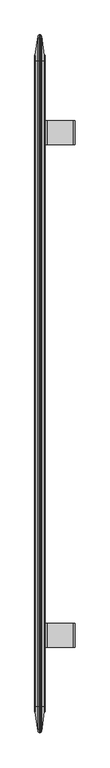
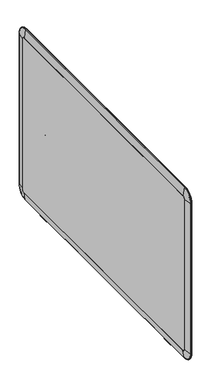
"""IFC4 building model written with IfcOpenShell, lengths in millimetres: furniture geometry."""

from ifc_helpers import new_model, si_unit, point, frame, frame_2d, origin, place, context, project, spatial, polyline, circle_curve, ellipse_curve, trimmed, segment, composite_curve, outline, extrude, source, transform, mapped, element, save
from ifc_brep_helpers import plane_surface, cylinder_surface, revolved_surface, advanced_brep


def furniture_05ba0310(model_context):
    return source(origin(), model_context, "Body", "SolidModel", [
        advanced_brep(
        [(-297.05329, -463.0360248, 883.6887434), (-295.15591, -463.0360248, 883.6887434), (-295.15591, -471.1640248, 883.6887434), (-297.05329, -471.1640248, 883.6887434), (-350.71841, -463.0360248, 883.6887434), (-348.82103, -463.0360248, 883.6887434), (-348.82103, -471.1640248, 883.6887434), (-350.71841, -471.1640248, 883.6887434), (-361.98585, -444.8750248, 518.5637434), (-361.98585, -451.2250248, 524.9137434), (-360.08847, -451.2250248, 524.9137434), (-360.08847, -444.8750248, 518.5637434), (-361.98585, -482.9750248, 524.9137434), (-360.08847, -482.9750248, 524.9137434), (-361.98585, -444.8750248, 509.2851234), (-361.98585, -489.3250248, 509.2851234), (-361.98585, -489.3250248, 518.5637434), (-360.08847, -489.3250248, 518.5637434), (-360.08847, -489.3250248, 509.2851234), (-360.08847, -444.8750248, 509.2851234), (-358.56447, -444.8750248, 507.7611234), (-358.56447, -489.3250248, 507.7611234), (-298.57729, -444.8750248, 507.7611234), (-298.57729, -489.3250248, 507.7611234), (-297.05329, -444.8750248, 509.2851234), (-297.05329, -489.3250248, 509.2851234), (-297.05329, -444.8750248, 899.3173634), (-297.05329, -489.3250248, 899.3173634), (-298.57729, -444.8750248, 900.8413634), (-298.57729, -489.3250248, 900.8413634), (-347.29703, -444.8750248, 900.8413634), (-347.29703, -489.3250248, 900.8413634), (-348.82103, -444.8750248, 899.3173634), (-348.82103, -489.3250248, 899.3173634), (-348.82103, -444.8750248, 867.8137434), (-348.82103, -489.3250248, 867.8137434), (-350.71841, -444.8750248, 867.8137434), (-350.71841, -489.3250248, 867.8137434), (-350.71841, -444.8750248, 899.3173634), (-350.71841, -489.3250248, 899.3173634), (-347.29703, -444.8750248, 902.7387434), (-347.29703, -489.3250248, 902.7387434), (-298.57729, -444.8750248, 902.7387434), (-298.57729, -489.3250248, 902.7387434), (-295.15591, -444.8750248, 899.3173634), (-295.15591, -489.3250248, 899.3173634), (-295.15591, -444.8750248, 509.2851234), (-295.15591, -489.3250248, 509.2851234), (-298.57729, -444.8750248, 505.8637434), (-298.57729, -489.3250248, 505.8637434), (-358.56447, -444.8750248, 505.8637434), (-358.56447, -489.3250248, 505.8637434)],
        [
            (0, 1),
            (1, 2, circle_curve(frame((-295.15591, -467.1000248, 883.6887434), z_axis=(1.0, 0.0, 0.0), x_axis=(0.0, 1.0, 0.0)), 4.064)),
            (2, 3),
            (3, 0, circle_curve(frame((-297.05329, -467.1000248, 883.6887434), z_axis=(-1.0, 0.0, 0.0), x_axis=(0.0, 1.0, 0.0)), 4.064)),
            (4, 5),
            (5, 6, circle_curve(frame((-348.82103, -467.1000248, 883.6887434), z_axis=(1.0, 0.0, 0.0), x_axis=(0.0, 1.0, 0.0)), 4.064)),
            (6, 7),
            (7, 4, circle_curve(frame((-350.71841, -467.1000248, 883.6887434), z_axis=(-1.0, 0.0, 0.0), x_axis=(0.0, 1.0, 0.0)), 4.064)),
            (8, 9, circle_curve(frame((-361.98585, -451.2250248, 518.5637434), z_axis=(1.0, 0.0, 0.0), x_axis=(0.0, 0.7071067811865475, 0.7071067811865477)), 6.35)),
            (9, 10),
            (10, 11, circle_curve(frame((-360.08847, -451.2250248, 518.5637434), z_axis=(-1.0, 0.0, 0.0), x_axis=(0.0, 0.7071067811865475, 0.7071067811865477)), 6.35)),
            (11, 8),
            (9, 12),
            (12, 13),
            (13, 10),
            (8, 14),
            (14, 15),
            (15, 16),
            (16, 12, circle_curve(frame((-361.98585, -482.9750248, 518.5637434), z_axis=(-1.0, 0.0, 0.0), x_axis=(0.0, -0.7071067811865477, 0.7071067811865475)), 6.35)),
            (16, 17),
            (17, 13, circle_curve(frame((-360.08847, -482.9750248, 518.5637434), z_axis=(-1.0, 0.0, 0.0), x_axis=(0.0, -0.7071067811865477, 0.7071067811865475)), 6.35)),
            (4, 7, circle_curve(frame((-350.71841, -467.1000248, 883.6887434), z_axis=(-1.0, 0.0, 0.0), x_axis=(0.0, 1.0, 0.0)), 4.064)),
            (6, 5, circle_curve(frame((-348.82103, -467.1000248, 883.6887434), z_axis=(1.0, 0.0, 0.0), x_axis=(0.0, 1.0, 0.0)), 4.064)),
            (0, 3, circle_curve(frame((-297.05329, -467.1000248, 883.6887434), z_axis=(-1.0, 0.0, 0.0), x_axis=(0.0, 1.0, 0.0)), 4.064)),
            (2, 1, circle_curve(frame((-295.15591, -467.1000248, 883.6887434), z_axis=(1.0, 0.0, 0.0), x_axis=(0.0, 1.0, 0.0)), 4.064)),
            (17, 18),
            (18, 19),
            (19, 11),
            (20, 19, circle_curve(frame((-358.56447, -444.8750248, 509.2851234), z_axis=(0.0, 1.0, 0.0), x_axis=(-1.0, 0.0, 0.0)), 1.524)),
            (18, 21, circle_curve(frame((-358.56447, -489.3250248, 509.2851234), z_axis=(0.0, -1.0, 0.0), x_axis=(-1.0, 0.0, 0.0)), 1.524)),
            (21, 20),
            (22, 20),
            (21, 23),
            (23, 22),
            (24, 22, circle_curve(frame((-298.57729, -444.8750248, 509.2851234), z_axis=(0.0, 1.0, 0.0), x_axis=(0.0, 0.0, -1.0)), 1.524)),
            (23, 25, circle_curve(frame((-298.57729, -489.3250248, 509.2851234), z_axis=(0.0, -1.0, 0.0), x_axis=(0.0, 0.0, -1.0)), 1.524)),
            (25, 24),
            (26, 24),
            (25, 27),
            (27, 26),
            (28, 26, circle_curve(frame((-298.57729, -444.8750248, 899.3173634), z_axis=(0.0, 1.0, 0.0), x_axis=(1.0, 0.0, 0.0)), 1.524)),
            (27, 29, circle_curve(frame((-298.57729, -489.3250248, 899.3173634), z_axis=(0.0, -1.0, 0.0), x_axis=(1.0, 0.0, 0.0)), 1.524)),
            (29, 28),
            (30, 28),
            (29, 31),
            (31, 30),
            (32, 30, circle_curve(frame((-347.29703, -444.8750248, 899.3173634), z_axis=(0.0, 1.0, 0.0), x_axis=(0.0, 0.0, 1.0)), 1.524)),
            (31, 33, circle_curve(frame((-347.29703, -489.3250248, 899.3173634), z_axis=(0.0, -1.0, 0.0), x_axis=(0.0, 0.0, 1.0)), 1.524)),
            (33, 32),
            (34, 32),
            (33, 35),
            (35, 34),
            (36, 34),
            (35, 37),
            (37, 36),
            (38, 36),
            (37, 39),
            (39, 38),
            (40, 38, circle_curve(frame((-347.29703, -444.8750248, 899.3173634), z_axis=(0.0, -1.0, 0.0), x_axis=(0.0, 0.0, 1.0)), 3.42138)),
            (39, 41, circle_curve(frame((-347.29703, -489.3250248, 899.3173634), z_axis=(0.0, 1.0, 0.0), x_axis=(0.0, 0.0, 1.0)), 3.42138)),
            (41, 40),
            (42, 40),
            (41, 43),
            (43, 42),
            (44, 42, circle_curve(frame((-298.57729, -444.8750248, 899.3173634), z_axis=(0.0, -1.0, 0.0), x_axis=(1.0, 0.0, 0.0)), 3.42138)),
            (43, 45, circle_curve(frame((-298.57729, -489.3250248, 899.3173634), z_axis=(0.0, 1.0, 0.0), x_axis=(1.0, 0.0, 0.0)), 3.42138)),
            (45, 44),
            (46, 44),
            (45, 47),
            (47, 46),
            (48, 46, circle_curve(frame((-298.57729, -444.8750248, 509.2851234), z_axis=(0.0, -1.0, 0.0), x_axis=(0.0, 0.0, -1.0)), 3.42138)),
            (47, 49, circle_curve(frame((-298.57729, -489.3250248, 509.2851234), z_axis=(0.0, 1.0, 0.0), x_axis=(0.0, 0.0, -1.0)), 3.42138)),
            (49, 48),
            (50, 48),
            (49, 51),
            (51, 50),
            (14, 50, circle_curve(frame((-358.56447, -444.8750248, 509.2851234), z_axis=(0.0, -1.0, 0.0), x_axis=(-1.0, 0.0, 0.0)), 3.42138)),
            (51, 15, circle_curve(frame((-358.56447, -489.3250248, 509.2851234), z_axis=(0.0, 1.0, 0.0), x_axis=(-1.0, 0.0, 0.0)), 3.42138)),
        ],
        [
            revolved_surface(polyline([(-297.05329, -463.0360248, 883.6887434), (-295.15591, -463.0360248, 883.6887434)]), (-282.0891344, -467.1000248, 883.6887434), (-1.0, 0.0, 0.0)),
            revolved_surface(polyline([(-350.71841, -463.0360248, 883.6887434), (-348.82103, -463.0360248, 883.6887434)]), (-282.0891344, -467.1000248, 883.6887434), (-1.0, 0.0, 0.0)),
            cylinder_surface(frame((-333.8330758, -451.2250248, 518.5637434), z_axis=(1.0, 0.0, 0.0), x_axis=(0.0, 0.7071067811865475, 0.7071067811865477)), 6.35),
            plane_surface(frame((-360.08847, -444.8750248, 524.9137434), z_axis=(0.0, 0.0, 1.0), x_axis=(-1.0, 0.0, 0.0))),
            plane_surface(frame((-361.98585, -444.8750248, 524.9137434), z_axis=(-1.0, 0.0, 0.0), x_axis=(0.0, 0.0, -1.0))),
            cylinder_surface(frame((-333.8330758, -482.9750248, 518.5637434), z_axis=(-1.0, 0.0, 0.0), x_axis=(0.0, -0.7071067811865477, 0.7071067811865475)), 6.35),
            plane_surface(frame((-360.08847, -444.8750248, 509.2851234), z_axis=(1.0, 0.0, 0.0), x_axis=(0.0, 0.0, 1.0))),
            revolved_surface(polyline([(-360.08847, -489.3250248, 509.2851234), (-360.08847, -444.8750248, 509.2851234)]), (-358.56447, -444.8750248, 509.2851234), (0.0, -1.0, 0.0)),
            plane_surface(frame((-298.57729, -444.8750248, 507.7611234), z_axis=(0.0, 0.0, 1.0), x_axis=(-1.0, 0.0, 0.0))),
            revolved_surface(polyline([(-298.57729, -489.3250248, 507.7611234), (-298.57729, -444.8750248, 507.7611234)]), (-298.57729, -444.8750248, 509.2851234), (0.0, -1.0, 0.0)),
            plane_surface(frame((-297.05329, -444.8750248, 899.3173634), z_axis=(-1.0, 0.0, 0.0), x_axis=(0.0, 0.0, -1.0))),
            revolved_surface(polyline([(-297.05329, -489.3250248, 899.3173634), (-297.05329, -444.8750248, 899.3173634)]), (-298.57729, -444.8750248, 899.3173634), (0.0, -1.0, 0.0)),
            plane_surface(frame((-347.29703, -444.8750248, 900.8413634), z_axis=(0.0, 0.0, -1.0), x_axis=(1.0, 0.0, 0.0))),
            revolved_surface(polyline([(-347.29703, -489.3250248, 900.8413634), (-347.29703, -444.8750248, 900.8413634)]), (-347.29703, -444.8750248, 899.3173634), (0.0, -1.0, 0.0)),
            plane_surface(frame((-348.82103, -444.8750248, 867.8137434), z_axis=(1.0, 0.0, 0.0), x_axis=(0.0, 0.0, 1.0))),
            plane_surface(frame((-350.71841, -444.8750248, 867.8137434), z_axis=(0.0, 0.0, -1.0), x_axis=(1.0, 0.0, 0.0))),
            plane_surface(frame((-350.71841, -444.8750248, 899.3173634), z_axis=(-1.0, 0.0, 0.0), x_axis=(0.0, 0.0, -1.0))),
            cylinder_surface(frame((-347.29703, -444.8750248, 899.3173634), z_axis=(0.0, -1.0, 0.0), x_axis=(0.0, 0.0, 1.0)), 3.42138),
            plane_surface(frame((-298.57729, -444.8750248, 902.7387434), z_axis=(0.0, 0.0, 1.0), x_axis=(-1.0, 0.0, 0.0))),
            cylinder_surface(frame((-298.57729, -444.8750248, 899.3173634), z_axis=(0.0, -1.0, 0.0), x_axis=(1.0, 0.0, 0.0)), 3.42138),
            plane_surface(frame((-295.15591, -444.8750248, 509.2851234), z_axis=(1.0, 0.0, 0.0), x_axis=(0.0, 0.0, 1.0))),
            cylinder_surface(frame((-298.57729, -444.8750248, 509.2851234), z_axis=(0.0, -1.0, 0.0), x_axis=(0.0, 0.0, -1.0)), 3.42138),
            plane_surface(frame((-358.56447, -444.8750248, 505.8637434), z_axis=(0.0, 0.0, -1.0), x_axis=(1.0, 0.0, 0.0))),
            cylinder_surface(frame((-358.56447, -444.8750248, 509.2851234), z_axis=(0.0, -1.0, 0.0), x_axis=(-1.0, 0.0, 0.0)), 3.42138),
            plane_surface(frame((-307.5776817, -444.8750248, 705.1619815), z_axis=(0.0, 1.0, 0.0), x_axis=(1.0, 0.0, 0.0))),
            plane_surface(frame((-307.5776817, -489.3250248, 705.1619815), z_axis=(0.0, -1.0, 0.0), x_axis=(1.0, 0.0, 0.0))),
        ],
        [
            (0, [[1, 2, 3, 4]]),
            (1, [[5, 6, 7, 8]]),
            (2, [[9, 10, 11, 12]]),
            (3, [[-10, 13, 14, 15]]),
            (4, [[-9, 16, 17, 18, 19, -13]]),
            (5, [[-19, 20, 21, -14]]),
            (1, [[-5, 22, -7, 23]]),
            (0, [[-1, 24, -3, 25]]),
            (6, [[-11, -15, -21, 26, 27, 28]]),
            (7, [[29, -27, 30, 31]]),
            (8, [[32, -31, 33, 34]]),
            (9, [[35, -34, 36, 37]]),
            (10, [[38, -37, 39, 40], [-24, -4]]),
            (11, [[41, -40, 42, 43]]),
            (12, [[44, -43, 45, 46]]),
            (13, [[47, -46, 48, 49]]),
            (14, [[50, -49, 51, 52], [-6, -23]]),
            (15, [[53, -52, 54, 55]]),
            (16, [[56, -55, 57, 58], [-22, -8]]),
            (17, [[59, -58, 60, 61]]),
            (18, [[62, -61, 63, 64]]),
            (19, [[65, -64, 66, 67]]),
            (20, [[68, -67, 69, 70], [-2, -25]]),
            (21, [[71, -70, 72, 73]]),
            (22, [[74, -73, 75, 76]]),
            (23, [[77, -76, 78, -17]]),
            (24, [[-12, -28, -29, -32, -35, -38, -41, -44, -47, -50, -53, -56, -59, -62, -65, -68, -71, -74, -77, -16]]),
            (25, [[-20, -18, -78, -75, -72, -69, -66, -63, -60, -57, -54, -51, -48, -45, -42, -39, -36, -33, -30, -26]]),
        ],
    ),
        advanced_brep(
        [(-297.05329, 462.2868056, 883.6887434), (-295.15591, 462.2868056, 883.6887434), (-295.15591, 470.4148056, 883.6887434), (-297.05329, 470.4148056, 883.6887434), (-350.71841, 462.2868056, 883.6887434), (-348.82103, 462.2868056, 883.6887434), (-348.82103, 470.4148056, 883.6887434), (-350.71841, 470.4148056, 883.6887434), (-361.98585, 450.4758056, 524.9137434), (-361.98585, 444.1258056, 518.5637434), (-360.08847, 444.1258056, 518.5637434), (-360.08847, 450.4758056, 524.9137434), (-360.08847, 482.2258056, 524.9137434), (-361.98585, 482.2258056, 524.9137434), (-361.98585, 488.5758056, 518.5637434), (-361.98585, 488.5758056, 509.2851234), (-361.98585, 444.1258056, 509.2851234), (-360.08847, 488.5758056, 518.5637434), (-360.08847, 444.1258056, 509.2851234), (-360.08847, 488.5758056, 509.2851234), (-358.56447, 444.1258056, 507.7611234), (-358.56447, 488.5758056, 507.7611234), (-298.57729, 444.1258056, 507.7611234), (-298.57729, 488.5758056, 507.7611234), (-297.05329, 444.1258056, 509.2851234), (-297.05329, 488.5758056, 509.2851234), (-297.05329, 444.1258056, 899.3173634), (-297.05329, 488.5758056, 899.3173634), (-298.57729, 444.1258056, 900.8413634), (-298.57729, 488.5758056, 900.8413634), (-347.29703, 444.1258056, 900.8413634), (-347.29703, 488.5758056, 900.8413634), (-348.82103, 444.1258056, 899.3173634), (-348.82103, 488.5758056, 899.3173634), (-348.82103, 444.1258056, 867.8137434), (-348.82103, 488.5758056, 867.8137434), (-350.71841, 444.1258056, 867.8137434), (-350.71841, 488.5758056, 867.8137434), (-350.71841, 444.1258056, 899.3173634), (-350.71841, 488.5758056, 899.3173634), (-347.29703, 444.1258056, 902.7387434), (-347.29703, 488.5758056, 902.7387434), (-298.57729, 444.1258056, 902.7387434), (-298.57729, 488.5758056, 902.7387434), (-295.15591, 444.1258056, 899.3173634), (-295.15591, 488.5758056, 899.3173634), (-295.15591, 444.1258056, 509.2851234), (-295.15591, 488.5758056, 509.2851234), (-298.57729, 444.1258056, 505.8637434), (-298.57729, 488.5758056, 505.8637434), (-358.56447, 444.1258056, 505.8637434), (-358.56447, 488.5758056, 505.8637434)],
        [
            (0, 1),
            (1, 2, circle_curve(frame((-295.15591, 466.3508056, 883.6887434), z_axis=(1.0, 0.0, 0.0), x_axis=(0.0, -1.0, 0.0)), 4.064)),
            (2, 3),
            (3, 0, circle_curve(frame((-297.05329, 466.3508056, 883.6887434), z_axis=(-1.0, 0.0, 0.0), x_axis=(0.0, -1.0, 0.0)), 4.064)),
            (4, 5),
            (5, 6, circle_curve(frame((-348.82103, 466.3508056, 883.6887434), z_axis=(1.0, 0.0, 0.0), x_axis=(0.0, -1.0, 0.0)), 4.064)),
            (6, 7),
            (7, 4, circle_curve(frame((-350.71841, 466.3508056, 883.6887434), z_axis=(-1.0, 0.0, 0.0), x_axis=(0.0, -1.0, 0.0)), 4.064)),
            (8, 9, circle_curve(frame((-361.98585, 450.4758056, 518.5637434), z_axis=(1.0, 0.0, 0.0), x_axis=(0.0, -0.7071067811865475, 0.7071067811865477)), 6.35)),
            (9, 10),
            (10, 11, circle_curve(frame((-360.08847, 450.4758056, 518.5637434), z_axis=(-1.0, 0.0, 0.0), x_axis=(0.0, -0.7071067811865475, 0.7071067811865477)), 6.35)),
            (11, 8),
            (11, 12),
            (12, 13),
            (13, 8),
            (13, 14, circle_curve(frame((-361.98585, 482.2258056, 518.5637434), z_axis=(-1.0, 0.0, 0.0), x_axis=(0.0, 0.7071067811865477, 0.7071067811865475)), 6.35)),
            (14, 15),
            (15, 16),
            (16, 9),
            (12, 17, circle_curve(frame((-360.08847, 482.2258056, 518.5637434), z_axis=(-1.0, 0.0, 0.0), x_axis=(0.0, 0.7071067811865477, 0.7071067811865475)), 6.35)),
            (17, 14),
            (4, 7, circle_curve(frame((-350.71841, 466.3508056, 883.6887434), z_axis=(-1.0, 0.0, 0.0), x_axis=(0.0, -1.0, 0.0)), 4.064)),
            (6, 5, circle_curve(frame((-348.82103, 466.3508056, 883.6887434), z_axis=(1.0, 0.0, 0.0), x_axis=(0.0, -1.0, 0.0)), 4.064)),
            (0, 3, circle_curve(frame((-297.05329, 466.3508056, 883.6887434), z_axis=(-1.0, 0.0, 0.0), x_axis=(0.0, -1.0, 0.0)), 4.064)),
            (2, 1, circle_curve(frame((-295.15591, 466.3508056, 883.6887434), z_axis=(1.0, 0.0, 0.0), x_axis=(0.0, -1.0, 0.0)), 4.064)),
            (10, 18),
            (18, 19),
            (19, 17),
            (18, 20, circle_curve(frame((-358.56447, 444.1258056, 509.2851234), z_axis=(0.0, -1.0, 0.0), x_axis=(-1.0, 0.0, 0.0)), 1.524)),
            (20, 21),
            (21, 19, circle_curve(frame((-358.56447, 488.5758056, 509.2851234), z_axis=(0.0, 1.0, 0.0), x_axis=(-1.0, 0.0, 0.0)), 1.524)),
            (20, 22),
            (22, 23),
            (23, 21),
            (22, 24, circle_curve(frame((-298.57729, 444.1258056, 509.2851234), z_axis=(0.0, -1.0, 0.0), x_axis=(0.0, 0.0, -1.0)), 1.524)),
            (24, 25),
            (25, 23, circle_curve(frame((-298.57729, 488.5758056, 509.2851234), z_axis=(0.0, 1.0, 0.0), x_axis=(0.0, 0.0, -1.0)), 1.524)),
            (24, 26),
            (26, 27),
            (27, 25),
            (26, 28, circle_curve(frame((-298.57729, 444.1258056, 899.3173634), z_axis=(0.0, -1.0, 0.0), x_axis=(1.0, 0.0, 0.0)), 1.524)),
            (28, 29),
            (29, 27, circle_curve(frame((-298.57729, 488.5758056, 899.3173634), z_axis=(0.0, 1.0, 0.0), x_axis=(1.0, 0.0, 0.0)), 1.524)),
            (28, 30),
            (30, 31),
            (31, 29),
            (30, 32, circle_curve(frame((-347.29703, 444.1258056, 899.3173634), z_axis=(0.0, -1.0, 0.0), x_axis=(0.0, 0.0, 1.0)), 1.524)),
            (32, 33),
            (33, 31, circle_curve(frame((-347.29703, 488.5758056, 899.3173634), z_axis=(0.0, 1.0, 0.0), x_axis=(0.0, 0.0, 1.0)), 1.524)),
            (32, 34),
            (34, 35),
            (35, 33),
            (34, 36),
            (36, 37),
            (37, 35),
            (36, 38),
            (38, 39),
            (39, 37),
            (38, 40, circle_curve(frame((-347.29703, 444.1258056, 899.3173634), z_axis=(0.0, 1.0, 0.0), x_axis=(0.0, 0.0, 1.0)), 3.42138)),
            (40, 41),
            (41, 39, circle_curve(frame((-347.29703, 488.5758056, 899.3173634), z_axis=(0.0, -1.0, 0.0), x_axis=(0.0, 0.0, 1.0)), 3.42138)),
            (40, 42),
            (42, 43),
            (43, 41),
            (42, 44, circle_curve(frame((-298.57729, 444.1258056, 899.3173634), z_axis=(0.0, 1.0, 0.0), x_axis=(1.0, 0.0, 0.0)), 3.42138)),
            (44, 45),
            (45, 43, circle_curve(frame((-298.57729, 488.5758056, 899.3173634), z_axis=(0.0, -1.0, 0.0), x_axis=(1.0, 0.0, 0.0)), 3.42138)),
            (44, 46),
            (46, 47),
            (47, 45),
            (46, 48, circle_curve(frame((-298.57729, 444.1258056, 509.2851234), z_axis=(0.0, 1.0, 0.0), x_axis=(0.0, 0.0, -1.0)), 3.42138)),
            (48, 49),
            (49, 47, circle_curve(frame((-298.57729, 488.5758056, 509.2851234), z_axis=(0.0, -1.0, 0.0), x_axis=(0.0, 0.0, -1.0)), 3.42138)),
            (48, 50),
            (50, 51),
            (51, 49),
            (50, 16, circle_curve(frame((-358.56447, 444.1258056, 509.2851234), z_axis=(0.0, 1.0, 0.0), x_axis=(-1.0, 0.0, 0.0)), 3.42138)),
            (15, 51, circle_curve(frame((-358.56447, 488.5758056, 509.2851234), z_axis=(0.0, -1.0, 0.0), x_axis=(-1.0, 0.0, 0.0)), 3.42138)),
        ],
        [
            revolved_surface(polyline([(-295.15591, 462.2868056, 883.6887434), (-297.05329, 462.2868056, 883.6887434)]), (-282.0891344, 466.3508056, 883.6887434), (1.0, 0.0, 0.0)),
            revolved_surface(polyline([(-348.82103, 462.2868056, 883.6887434), (-350.71841, 462.2868056, 883.6887434)]), (-282.0891344, 466.3508056, 883.6887434), (1.0, 0.0, 0.0)),
            cylinder_surface(frame((-333.8330758, 450.4758056, 518.5637434), z_axis=(-1.0, 0.0, 0.0), x_axis=(0.0, -0.7071067811865475, 0.7071067811865477)), 6.35),
            plane_surface(frame((-360.08847, 444.1258056, 524.9137434), z_axis=(0.0, 0.0, 1.0), x_axis=(-1.0, 0.0, 0.0))),
            plane_surface(frame((-361.98585, 444.1258056, 524.9137434), z_axis=(-1.0, 0.0, 0.0), x_axis=(0.0, 0.0, -1.0))),
            cylinder_surface(frame((-333.8330758, 482.2258056, 518.5637434), z_axis=(1.0, 0.0, 0.0), x_axis=(0.0, 0.7071067811865477, 0.7071067811865475)), 6.35),
            plane_surface(frame((-360.08847, 444.1258056, 509.2851234), z_axis=(1.0, 0.0, 0.0), x_axis=(0.0, 0.0, 1.0))),
            revolved_surface(polyline([(-360.08847, 444.1258056, 509.2851234), (-360.08847, 488.5758056, 509.2851234)]), (-358.56447, 444.1258056, 509.2851234), (0.0, -1.0, 0.0)),
            plane_surface(frame((-298.57729, 444.1258056, 507.7611234), z_axis=(0.0, 0.0, 1.0), x_axis=(-1.0, 0.0, 0.0))),
            revolved_surface(polyline([(-298.57729, 444.1258056, 507.7611234), (-298.57729, 488.5758056, 507.7611234)]), (-298.57729, 444.1258056, 509.2851234), (0.0, -1.0, 0.0)),
            plane_surface(frame((-297.05329, 444.1258056, 899.3173634), z_axis=(-1.0, 0.0, 0.0), x_axis=(0.0, 0.0, -1.0))),
            revolved_surface(polyline([(-297.05329, 444.1258056, 899.3173634), (-297.05329, 488.5758056, 899.3173634)]), (-298.57729, 444.1258056, 899.3173634), (0.0, -1.0, 0.0)),
            plane_surface(frame((-347.29703, 444.1258056, 900.8413634), z_axis=(0.0, 0.0, -1.0), x_axis=(1.0, 0.0, 0.0))),
            revolved_surface(polyline([(-347.29703, 444.1258056, 900.8413634), (-347.29703, 488.5758056, 900.8413634)]), (-347.29703, 444.1258056, 899.3173634), (0.0, -1.0, 0.0)),
            plane_surface(frame((-348.82103, 444.1258056, 867.8137434), z_axis=(1.0, 0.0, 0.0), x_axis=(0.0, 0.0, 1.0))),
            plane_surface(frame((-350.71841, 444.1258056, 867.8137434), z_axis=(0.0, 0.0, -1.0), x_axis=(1.0, 0.0, 0.0))),
            plane_surface(frame((-350.71841, 444.1258056, 899.3173634), z_axis=(-1.0, 0.0, 0.0), x_axis=(0.0, 0.0, -1.0))),
            cylinder_surface(frame((-347.29703, 444.1258056, 899.3173634), z_axis=(0.0, -1.0, 0.0), x_axis=(0.0, 0.0, 1.0)), 3.42138),
            plane_surface(frame((-298.57729, 444.1258056, 902.7387434), z_axis=(0.0, 0.0, 1.0), x_axis=(-1.0, 0.0, 0.0))),
            cylinder_surface(frame((-298.57729, 444.1258056, 899.3173634), z_axis=(0.0, -1.0, 0.0), x_axis=(1.0, 0.0, 0.0)), 3.42138),
            plane_surface(frame((-295.15591, 444.1258056, 509.2851234), z_axis=(1.0, 0.0, 0.0), x_axis=(0.0, 0.0, 1.0))),
            cylinder_surface(frame((-298.57729, 444.1258056, 509.2851234), z_axis=(0.0, -1.0, 0.0), x_axis=(0.0, 0.0, -1.0)), 3.42138),
            plane_surface(frame((-358.56447, 444.1258056, 505.8637434), z_axis=(0.0, 0.0, -1.0), x_axis=(1.0, 0.0, 0.0))),
            cylinder_surface(frame((-358.56447, 444.1258056, 509.2851234), z_axis=(0.0, -1.0, 0.0), x_axis=(-1.0, 0.0, 0.0)), 3.42138),
            plane_surface(frame((-307.5776817, 444.1258056, 705.1619815), z_axis=(0.0, -1.0, 0.0), x_axis=(1.0, 0.0, 0.0))),
            plane_surface(frame((-307.5776817, 488.5758056, 705.1619815), z_axis=(0.0, 1.0, 0.0), x_axis=(1.0, 0.0, 0.0))),
        ],
        [
            (0, [[1, 2, 3, 4]]),
            (1, [[5, 6, 7, 8]]),
            (2, [[9, 10, 11, 12]]),
            (3, [[-12, 13, 14, 15]]),
            (4, [[-9, -15, 16, 17, 18, 19]]),
            (5, [[-16, -14, 20, 21]]),
            (1, [[-5, 22, -7, 23]]),
            (0, [[-1, 24, -3, 25]]),
            (6, [[-11, 26, 27, 28, -20, -13]]),
            (7, [[29, 30, 31, -27]]),
            (8, [[32, 33, 34, -30]]),
            (9, [[35, 36, 37, -33]]),
            (10, [[38, 39, 40, -36], [-4, -24]]),
            (11, [[41, 42, 43, -39]]),
            (12, [[44, 45, 46, -42]]),
            (13, [[47, 48, 49, -45]]),
            (14, [[50, 51, 52, -48], [-23, -6]]),
            (15, [[53, 54, 55, -51]]),
            (16, [[56, 57, 58, -54], [-8, -22]]),
            (17, [[59, 60, 61, -57]]),
            (18, [[62, 63, 64, -60]]),
            (19, [[65, 66, 67, -63]]),
            (20, [[68, 69, 70, -66], [-25, -2]]),
            (21, [[71, 72, 73, -69]]),
            (22, [[74, 75, 76, -72]]),
            (23, [[77, -18, 78, -75]]),
            (24, [[-10, -19, -77, -74, -71, -68, -65, -62, -59, -56, -53, -50, -47, -44, -41, -38, -35, -32, -29, -26]]),
            (25, [[-21, -28, -31, -34, -37, -40, -43, -46, -49, -52, -55, -58, -61, -64, -67, -70, -73, -76, -78, -17]]),
        ],
    ),
        advanced_brep(
        [(-368.9788152, 599.0647969, 1263.3058087), (-368.9788152, 609.2247969, 1253.1458087), (-352.438553, 609.2247969, 1253.1458087), (-352.438553, 599.0647969, 1263.3058087), (-363.6349562, 599.0647969, 1299.1886966), (-363.6349562, 645.1076848, 1253.1458087), (-362.0566704, 599.0647969, 1301.3985034), (-362.0566704, 647.3174915, 1253.1458087), (-360.9665087, 599.0647969, 1301.478188), (-360.9665087, 647.3971762, 1253.1458087), (-360.6462157, 599.0647969, 1300.2824034), (-360.6462157, 646.2013916, 1253.1458087), (-360.4500068, 599.0647969, 1301.478188), (-360.4500068, 647.3971762, 1253.1458087), (-359.3018977, 599.0647969, 1301.3942706), (-359.3018977, 647.3132588, 1253.1458087), (-357.7311424, 599.0647969, 1299.184618), (-357.7311424, 645.1036062, 1253.1458087), (-352.438553, -599.5194363, 1263.3058087), (-368.9788152, -599.5194363, 1263.3058087), (-363.6349562, -599.5194363, 1299.1886966), (-362.0566704, -599.5194363, 1301.3985034), (-360.9665087, -599.5194363, 1301.478188), (-360.6462157, -599.5194363, 1300.2824034), (-360.4500068, -599.5194363, 1301.478188), (-359.3018977, -599.5194363, 1301.3942706), (-357.7311424, -599.5194363, 1299.184618), (-368.9788152, -609.6794363, 1253.1458087), (-352.438553, -609.6794363, 1253.1458087), (-363.6349562, -645.5623242, 1253.1458087), (-362.0566704, -647.772131, 1253.1458087), (-360.9665087, -647.8518156, 1253.1458087), (-360.6462157, -646.656031, 1253.1458087), (-360.4500068, -647.8518156, 1253.1458087), (-359.3018977, -647.7678983, 1253.1458087), (-357.7311424, -645.5582456, 1253.1458087), (-352.438553, -609.6794363, 562.0228131), (-368.9788152, -609.6794363, 562.0228131), (-363.6349562, -645.5623242, 562.0228131), (-362.0566704, -647.772131, 562.0228131), (-360.9665087, -647.8518156, 562.0228131), (-360.6462157, -646.656031, 562.0228131), (-360.4500068, -647.8518156, 562.0228131), (-359.3018977, -647.7678983, 562.0228131), (-357.7311424, -645.5582456, 562.0228131), (-368.9788152, -599.5194363, 551.8628131), (-352.438553, -599.5194363, 551.8628131), (-363.6349562, -599.5194363, 515.9799252), (-362.0566704, -599.5194363, 513.7701185), (-360.9665087, -599.5194363, 513.6904338), (-360.6462157, -599.5194363, 514.8862184), (-360.4500068, -599.5194363, 513.6904338), (-359.3018977, -599.5194363, 513.7743512), (-357.7311424, -599.5194363, 515.9840038), (-352.438553, 599.0647969, 551.8628131), (-368.9788152, 599.0647969, 551.8628131), (-363.6349562, 599.0647969, 515.9799252), (-362.0566704, 599.0647969, 513.7701185), (-360.9665087, 599.0647969, 513.6904338), (-360.6462157, 599.0647969, 514.8862184), (-360.4500068, 599.0647969, 513.6904338), (-359.3018977, 599.0647969, 513.7743512), (-357.7311424, 599.0647969, 515.9840038), (-368.9788152, 609.2247969, 562.0228131), (-352.438553, 609.2247969, 562.0228131), (-363.6349562, 645.1076848, 562.0228131), (-362.0566704, 647.3174915, 562.0228131), (-360.9665087, 647.3971762, 562.0228131), (-360.6462157, 646.2013916, 562.0228131), (-360.4500068, 647.3971762, 562.0228131), (-359.3018977, 647.3132588, 562.0228131), (-357.7311424, 645.1036062, 562.0228131)],
        [
            (0, 1, circle_curve(frame((-368.9788152, 599.0647969, 1253.1458087), z_axis=(-1.0, 0.0, 0.0), x_axis=(0.0, 1.0, 0.0)), 10.16)),
            (1, 2),
            (2, 3, circle_curve(frame((-352.438553, 599.0647969, 1253.1458087), z_axis=(1.0, 0.0, 0.0), x_axis=(0.0, 1.0, 0.0)), 10.16)),
            (3, 0),
            (4, 5, circle_curve(frame((-363.6349562, 599.0647969, 1253.1458087), z_axis=(-1.0, 0.0, 0.0), x_axis=(0.0, 1.0, 0.0)), 46.0428879)),
            (5, 1),
            (0, 4),
            (6, 7, circle_curve(frame((-362.0566704, 599.0647969, 1253.1458087), z_axis=(-1.0, 0.0, 0.0), x_axis=(0.0, 1.0, 0.0)), 48.2526947)),
            (7, 5, circle_curve(frame((-360.6833515, 644.6681171, 1253.1458087), z_axis=(0.0, 0.0, 1.0), x_axis=(0.0, -1.0, 0.0)), 2.9841564)),
            (4, 6, circle_curve(frame((-360.6833515, 599.0647969, 1298.7491289), z_axis=(0.0, 1.0, 0.0), x_axis=(0.0, 0.0, -1.0)), 2.9841564)),
            (8, 9, circle_curve(frame((-360.9665087, 599.0647969, 1253.1458087), z_axis=(-1.0, 0.0, 0.0), x_axis=(0.0, 1.0, 0.0)), 48.3323793)),
            (9, 7),
            (6, 8),
            (10, 11, circle_curve(frame((-360.6462157, 599.0647969, 1253.1458087), z_axis=(-1.0, 0.0, 0.0), x_axis=(0.0, 1.0, 0.0)), 47.1365947)),
            (11, 9),
            (8, 10),
            (12, 13, circle_curve(frame((-360.4500068, 599.0647969, 1253.1458087), z_axis=(-1.0, 0.0, 0.0), x_axis=(0.0, 1.0, 0.0)), 48.3323793)),
            (13, 11),
            (10, 12),
            (14, 15, circle_curve(frame((-359.3018977, 599.0647969, 1253.1458087), z_axis=(-1.0, 0.0, 0.0), x_axis=(0.0, 1.0, 0.0)), 48.248462)),
            (15, 13),
            (12, 14),
            (16, 17, circle_curve(frame((-357.7311424, 599.0647969, 1253.1458087), z_axis=(-1.0, 0.0, 0.0), x_axis=(0.0, 1.0, 0.0)), 46.0388093)),
            (17, 15, circle_curve(frame((-360.6833515, 644.6681171, 1253.1458087), z_axis=(0.0, 0.0, 1.0), x_axis=(0.0, -1.0, 0.0)), 2.9841564)),
            (14, 16, circle_curve(frame((-360.6833515, 599.0647969, 1298.7491289), z_axis=(0.0, 1.0, 0.0), x_axis=(0.0, 0.0, -1.0)), 2.9841564)),
            (2, 17),
            (16, 3),
            (3, 18),
            (18, 19),
            (19, 0),
            (19, 20),
            (20, 4),
            (20, 21, circle_curve(frame((-360.6833515, -599.5194363, 1298.7491289), z_axis=(0.0, 1.0, 0.0), x_axis=(0.0, 0.0, -1.0)), 2.9841564)),
            (21, 6),
            (21, 22),
            (22, 8),
            (22, 23),
            (23, 10),
            (23, 24),
            (24, 12),
            (24, 25),
            (25, 14),
            (25, 26, circle_curve(frame((-360.6833515, -599.5194363, 1298.7491289), z_axis=(0.0, 1.0, 0.0), x_axis=(0.0, 0.0, -1.0)), 2.9841564)),
            (26, 16),
            (26, 18),
            (27, 19, circle_curve(frame((-368.9788152, -599.5194363, 1253.1458087), z_axis=(-1.0, 0.0, 0.0), x_axis=(0.0, 0.0, 1.0)), 10.16)),
            (18, 28, circle_curve(frame((-352.438553, -599.5194363, 1253.1458087), z_axis=(1.0, 0.0, 0.0), x_axis=(0.0, 0.0, 1.0)), 10.16)),
            (28, 27),
            (29, 20, circle_curve(frame((-363.6349562, -599.5194363, 1253.1458087), z_axis=(-1.0, 0.0, 0.0), x_axis=(0.0, 0.0, 1.0)), 46.0428879)),
            (27, 29),
            (30, 21, circle_curve(frame((-362.0566704, -599.5194363, 1253.1458087), z_axis=(-1.0, 0.0, 0.0), x_axis=(0.0, 0.0, 1.0)), 48.2526947)),
            (29, 30, circle_curve(frame((-360.6833515, -645.1227565, 1253.1458087), z_axis=(0.0, 0.0, 1.0), x_axis=(0.0, 1.0, 0.0)), 2.9841564)),
            (31, 22, circle_curve(frame((-360.9665087, -599.5194363, 1253.1458087), z_axis=(-1.0, 0.0, 0.0), x_axis=(0.0, 0.0, 1.0)), 48.3323793)),
            (30, 31),
            (32, 23, circle_curve(frame((-360.6462157, -599.5194363, 1253.1458087), z_axis=(-1.0, 0.0, 0.0), x_axis=(0.0, 0.0, 1.0)), 47.1365947)),
            (31, 32),
            (33, 24, circle_curve(frame((-360.4500068, -599.5194363, 1253.1458087), z_axis=(-1.0, 0.0, 0.0), x_axis=(0.0, 0.0, 1.0)), 48.3323793)),
            (32, 33),
            (34, 25, circle_curve(frame((-359.3018977, -599.5194363, 1253.1458087), z_axis=(-1.0, 0.0, 0.0), x_axis=(0.0, 0.0, 1.0)), 48.248462)),
            (33, 34),
            (35, 26, circle_curve(frame((-357.7311424, -599.5194363, 1253.1458087), z_axis=(-1.0, 0.0, 0.0), x_axis=(0.0, 0.0, 1.0)), 46.0388093)),
            (34, 35, circle_curve(frame((-360.6833515, -645.1227565, 1253.1458087), z_axis=(0.0, 0.0, 1.0), x_axis=(0.0, 1.0, 0.0)), 2.9841564)),
            (35, 28),
            (28, 36),
            (36, 37),
            (37, 27),
            (37, 38),
            (38, 29),
            (38, 39, circle_curve(frame((-360.6833515, -645.1227565, 562.0228131), z_axis=(0.0, 0.0, 1.0), x_axis=(0.0, 1.0, 0.0)), 2.9841564)),
            (39, 30),
            (39, 40),
            (40, 31),
            (40, 41),
            (41, 32),
            (41, 42),
            (42, 33),
            (42, 43),
            (43, 34),
            (43, 44, circle_curve(frame((-360.6833515, -645.1227565, 562.0228131), z_axis=(0.0, 0.0, 1.0), x_axis=(0.0, 1.0, 0.0)), 2.9841564)),
            (44, 35),
            (44, 36),
            (45, 37, circle_curve(frame((-368.9788152, -599.5194363, 562.0228131), z_axis=(-1.0, 0.0, 0.0), x_axis=(0.0, -1.0, 0.0)), 10.16)),
            (36, 46, circle_curve(frame((-352.438553, -599.5194363, 562.0228131), z_axis=(1.0, 0.0, 0.0), x_axis=(0.0, -1.0, 0.0)), 10.16)),
            (46, 45),
            (47, 38, circle_curve(frame((-363.6349562, -599.5194363, 562.0228131), z_axis=(-1.0, 0.0, 0.0), x_axis=(0.0, -1.0, 0.0)), 46.0428879)),
            (45, 47),
            (48, 39, circle_curve(frame((-362.0566704, -599.5194363, 562.0228131), z_axis=(-1.0, 0.0, 0.0), x_axis=(0.0, -1.0, 0.0)), 48.2526947)),
            (47, 48, circle_curve(frame((-360.6833515, -599.5194363, 516.4194929), z_axis=(0.0, -1.0, 0.0), x_axis=(0.0, 0.0, 1.0)), 2.9841564)),
            (49, 40, circle_curve(frame((-360.9665087, -599.5194363, 562.0228131), z_axis=(-1.0, 0.0, 0.0), x_axis=(0.0, -1.0, 0.0)), 48.3323793)),
            (48, 49),
            (50, 41, circle_curve(frame((-360.6462157, -599.5194363, 562.0228131), z_axis=(-1.0, 0.0, 0.0), x_axis=(0.0, -1.0, 0.0)), 47.1365947)),
            (49, 50),
            (51, 42, circle_curve(frame((-360.4500068, -599.5194363, 562.0228131), z_axis=(-1.0, 0.0, 0.0), x_axis=(0.0, -1.0, 0.0)), 48.3323793)),
            (50, 51),
            (52, 43, circle_curve(frame((-359.3018977, -599.5194363, 562.0228131), z_axis=(-1.0, 0.0, 0.0), x_axis=(0.0, -1.0, 0.0)), 48.248462)),
            (51, 52),
            (53, 44, circle_curve(frame((-357.7311424, -599.5194363, 562.0228131), z_axis=(-1.0, 0.0, 0.0), x_axis=(0.0, -1.0, 0.0)), 46.0388093)),
            (52, 53, circle_curve(frame((-360.6833515, -599.5194363, 516.4194929), z_axis=(0.0, -1.0, 0.0), x_axis=(0.0, 0.0, 1.0)), 2.9841564)),
            (53, 46),
            (46, 54),
            (54, 55),
            (55, 45),
            (55, 56),
            (56, 47),
            (56, 57, circle_curve(frame((-360.6833515, 599.0647969, 516.4194929), z_axis=(0.0, -1.0, 0.0), x_axis=(0.0, 0.0, 1.0)), 2.9841564)),
            (57, 48),
            (57, 58),
            (58, 49),
            (58, 59),
            (59, 50),
            (59, 60),
            (60, 51),
            (60, 61),
            (61, 52),
            (61, 62, circle_curve(frame((-360.6833515, 599.0647969, 516.4194929), z_axis=(0.0, -1.0, 0.0), x_axis=(0.0, 0.0, 1.0)), 2.9841564)),
            (62, 53),
            (62, 54),
            (63, 55, circle_curve(frame((-368.9788152, 599.0647969, 562.0228131), z_axis=(-1.0, 0.0, 0.0), x_axis=(0.0, 0.0, -1.0)), 10.16)),
            (54, 64, circle_curve(frame((-352.438553, 599.0647969, 562.0228131), z_axis=(1.0, 0.0, 0.0), x_axis=(0.0, 0.0, -1.0)), 10.16)),
            (64, 63),
            (65, 56, circle_curve(frame((-363.6349562, 599.0647969, 562.0228131), z_axis=(-1.0, 0.0, 0.0), x_axis=(0.0, 0.0, -1.0)), 46.0428879)),
            (63, 65),
            (66, 57, circle_curve(frame((-362.0566704, 599.0647969, 562.0228131), z_axis=(-1.0, 0.0, 0.0), x_axis=(0.0, 0.0, -1.0)), 48.2526947)),
            (65, 66, circle_curve(frame((-360.6833515, 644.6681171, 562.0228131), z_axis=(0.0, 0.0, -1.0), x_axis=(0.0, -1.0, 0.0)), 2.9841564)),
            (67, 58, circle_curve(frame((-360.9665087, 599.0647969, 562.0228131), z_axis=(-1.0, 0.0, 0.0), x_axis=(0.0, 0.0, -1.0)), 48.3323793)),
            (66, 67),
            (68, 59, circle_curve(frame((-360.6462157, 599.0647969, 562.0228131), z_axis=(-1.0, 0.0, 0.0), x_axis=(0.0, 0.0, -1.0)), 47.1365947)),
            (67, 68),
            (69, 60, circle_curve(frame((-360.4500068, 599.0647969, 562.0228131), z_axis=(-1.0, 0.0, 0.0), x_axis=(0.0, 0.0, -1.0)), 48.3323793)),
            (68, 69),
            (70, 61, circle_curve(frame((-359.3018977, 599.0647969, 562.0228131), z_axis=(-1.0, 0.0, 0.0), x_axis=(0.0, 0.0, -1.0)), 48.248462)),
            (69, 70),
            (71, 62, circle_curve(frame((-357.7311424, 599.0647969, 562.0228131), z_axis=(-1.0, 0.0, 0.0), x_axis=(0.0, 0.0, -1.0)), 46.0388093)),
            (70, 71, circle_curve(frame((-360.6833515, 644.6681171, 562.0228131), z_axis=(0.0, 0.0, -1.0), x_axis=(0.0, -1.0, 0.0)), 2.9841564)),
            (71, 64),
            (64, 2),
            (1, 63),
            (5, 65),
            (7, 66),
            (9, 67),
            (11, 68),
            (13, 69),
            (15, 70),
            (17, 71),
        ],
        [
            revolved_surface(polyline([(-352.438553, 609.2247969, 1253.1458087), (-368.9788152, 609.2247969, 1253.1458087)]), (-369.9710027, 599.0647969, 1253.1458087), (1.0, 0.0, 0.0)),
            revolved_surface(polyline([(-368.9788152, 609.2247969, 1253.1458087), (-363.6349562, 645.1076848, 1253.1458087)]), (-369.9710027, 599.0647969, 1253.1458087), (1.0, 0.0, 0.0)),
            revolved_surface(trimmed(ellipse_curve(frame((-360.6833515, 644.6681171, 1253.1458087), z_axis=(0.0, 0.0, -1.0), x_axis=(0.0, -1.0, 0.0)), 2.9841564, 2.9841564), [point((-363.6349562, 645.1076848, 1253.1458087))], [point((-362.0566704, 647.3174915, 1253.1458087))], True, "CARTESIAN"), (-369.9710027, 599.0647969, 1253.1458087), (1.0, 0.0, 0.0)),
            revolved_surface(polyline([(-362.0566704, 647.3174915, 1253.1458087), (-360.9665087, 647.3971762, 1253.1458087)]), (-369.9710027, 599.0647969, 1253.1458087), (1.0, 0.0, 0.0)),
            revolved_surface(polyline([(-360.9665087, 647.3971762, 1253.1458087), (-360.6462157, 646.2013916, 1253.1458087)]), (-369.9710027, 599.0647969, 1253.1458087), (1.0, 0.0, 0.0)),
            revolved_surface(polyline([(-360.6462157, 646.2013916, 1253.1458087), (-360.4500068, 647.3971762, 1253.1458087)]), (-369.9710027, 599.0647969, 1253.1458087), (1.0, 0.0, 0.0)),
            revolved_surface(polyline([(-360.4500068, 647.3971762, 1253.1458087), (-359.3018977, 647.3132588, 1253.1458087)]), (-369.9710027, 599.0647969, 1253.1458087), (1.0, 0.0, 0.0)),
            revolved_surface(trimmed(ellipse_curve(frame((-360.6833515, 644.6681171, 1253.1458087), z_axis=(0.0, 0.0, -1.0), x_axis=(0.0, -1.0, 0.0)), 2.9841564, 2.9841564), [point((-359.3018977, 647.3132588, 1253.1458087))], [point((-357.7311424, 645.1036062, 1253.1458087))], True, "CARTESIAN"), (-369.9710027, 599.0647969, 1253.1458087), (1.0, 0.0, 0.0)),
            revolved_surface(polyline([(-357.7311424, 645.1036062, 1253.1458087), (-352.438553, 609.2247969, 1253.1458087)]), (-369.9710027, 599.0647969, 1253.1458087), (1.0, 0.0, 0.0)),
            plane_surface(frame((-352.438553, 599.0647969, 1263.3058087), z_axis=(0.0, 0.0, -1.0), x_axis=(0.0, -1.0, 0.0))),
            plane_surface(frame((-368.9788152, 599.0647969, 1263.3058087), z_axis=(-0.9890917879784877, 0.0, 0.14730049203420278), x_axis=(0.0, -1.0, 0.0))),
            cylinder_surface(frame((-360.6833515, 599.0647969, 1298.7491289), z_axis=(0.0, 1.0, 0.0), x_axis=(0.0, 0.0, -1.0)), 2.9841564),
            plane_surface(frame((-362.0566704, 599.0647969, 1301.3985034), z_axis=(-0.0728998419844719, 0.0, 0.9973392667686554), x_axis=(0.0, -1.0, 0.0))),
            plane_surface(frame((-360.9665087, 599.0647969, 1301.478188), z_axis=(0.9659493614242906, 0.0, 0.2587311948026472), x_axis=(0.0, -1.0, 0.0))),
            plane_surface(frame((-360.6462157, 599.0647969, 1300.2824034), z_axis=(-0.9868041124432955, 0.0, 0.16191863285304758), x_axis=(0.0, -1.0, 0.0))),
            plane_surface(frame((-360.4500068, 599.0647969, 1301.478188), z_axis=(0.07289731814540452, 0.0, 0.9973394512437618), x_axis=(0.0, -1.0, 0.0))),
            plane_surface(frame((-357.7311424, 599.0647969, 1299.184618), z_axis=(0.9892943663481161, 0.0, 0.14593374082740362), x_axis=(0.0, -1.0, 0.0))),
            revolved_surface(polyline([(-352.438553, -599.5194363, 1263.3058087000002), (-368.9788152, -599.5194363, 1263.3058087000002)]), (-369.9710027, -599.5194363, 1253.1458087), (1.0, 0.0, 0.0)),
            revolved_surface(polyline([(-368.9788152, -599.5194363, 1263.3058087), (-363.6349562, -599.5194363, 1299.1886966)]), (-369.9710027, -599.5194363, 1253.1458087), (1.0, 0.0, 0.0)),
            revolved_surface(trimmed(ellipse_curve(frame((-360.6833515, -599.5194363, 1298.7491289), z_axis=(0.0, 1.0, 0.0), x_axis=(0.0, 0.0, -1.0)), 2.9841564, 2.9841564), [point((-363.6349562, -599.5194363, 1299.1886966))], [point((-362.0566704, -599.5194363, 1301.3985034))], True, "CARTESIAN"), (-369.9710027, -599.5194363, 1253.1458087), (1.0, 0.0, 0.0)),
            revolved_surface(polyline([(-362.0566704, -599.5194363, 1301.3985034), (-360.9665087, -599.5194363, 1301.478188)]), (-369.9710027, -599.5194363, 1253.1458087), (1.0, 0.0, 0.0)),
            revolved_surface(polyline([(-360.9665087, -599.5194363, 1301.478188), (-360.6462157, -599.5194363, 1300.2824034)]), (-369.9710027, -599.5194363, 1253.1458087), (1.0, 0.0, 0.0)),
            revolved_surface(polyline([(-360.6462157, -599.5194363, 1300.2824034), (-360.4500068, -599.5194363, 1301.478188)]), (-369.9710027, -599.5194363, 1253.1458087), (1.0, 0.0, 0.0)),
            revolved_surface(polyline([(-360.4500068, -599.5194363, 1301.478188), (-359.3018977, -599.5194363, 1301.3942706)]), (-369.9710027, -599.5194363, 1253.1458087), (1.0, 0.0, 0.0)),
            revolved_surface(trimmed(ellipse_curve(frame((-360.6833515, -599.5194363, 1298.7491289), z_axis=(0.0, 1.0, 0.0), x_axis=(0.0, 0.0, -1.0)), 2.9841564, 2.9841564), [point((-359.3018977, -599.5194363, 1301.3942706))], [point((-357.7311424, -599.5194363, 1299.184618))], True, "CARTESIAN"), (-369.9710027, -599.5194363, 1253.1458087), (1.0, 0.0, 0.0)),
            revolved_surface(polyline([(-357.7311424, -599.5194363, 1299.184618), (-352.438553, -599.5194363, 1263.3058087)]), (-369.9710027, -599.5194363, 1253.1458087), (1.0, 0.0, 0.0)),
            plane_surface(frame((-352.438553, -609.6794363, 1253.1458087), z_axis=(0.0, 1.0, 0.0), x_axis=(0.0, 0.0, -1.0))),
            plane_surface(frame((-368.9788152, -609.6794363, 1253.1458087), z_axis=(-0.9890917879784893, -0.14730049203419263, 0.0), x_axis=(0.0, 0.0, -1.0))),
            cylinder_surface(frame((-360.6833515, -645.1227565, 1253.1458087), z_axis=(0.0, 0.0, 1.0), x_axis=(0.0, 1.0, 0.0)), 2.9841564),
            plane_surface(frame((-362.0566704, -647.772131, 1253.1458087), z_axis=(-0.07289984198448214, -0.9973392667686546, 0.0), x_axis=(0.0, 0.0, -1.0))),
            plane_surface(frame((-360.9665087, -647.8518156, 1253.1458087), z_axis=(0.9659493614242879, -0.25873119480265716, 0.0), x_axis=(0.0, 0.0, -1.0))),
            plane_surface(frame((-360.6462157, -646.656031, 1253.1458087), z_axis=(-0.9868041124432971, -0.16191863285303745, 0.0), x_axis=(0.0, 0.0, -1.0))),
            plane_surface(frame((-360.4500068, -647.8518156, 1253.1458087), z_axis=(0.07289731814539428, -0.9973394512437626, 0.0), x_axis=(0.0, 0.0, -1.0))),
            plane_surface(frame((-357.7311424, -645.5582456, 1253.1458087), z_axis=(0.9892943663481145, -0.14593374082741378, 0.0), x_axis=(0.0, 0.0, -1.0))),
            revolved_surface(polyline([(-352.438553, -609.6794363, 562.0228131), (-368.9788152, -609.6794363, 562.0228131)]), (-369.9710027, -599.5194363, 562.0228131), (1.0, 0.0, 0.0)),
            revolved_surface(polyline([(-368.9788152, -609.6794363, 562.0228131), (-363.6349562, -645.5623242, 562.0228131)]), (-369.9710027, -599.5194363, 562.0228131), (1.0, 0.0, 0.0)),
            revolved_surface(trimmed(ellipse_curve(frame((-360.6833515, -645.1227565, 562.0228131), z_axis=(0.0, 0.0, 1.0), x_axis=(0.0, 1.0, 0.0)), 2.9841564, 2.9841564), [point((-363.6349562, -645.5623242, 562.0228131))], [point((-362.0566704, -647.772131, 562.0228131))], True, "CARTESIAN"), (-369.9710027, -599.5194363, 562.0228131), (1.0, 0.0, 0.0)),
            revolved_surface(polyline([(-362.0566704, -647.772131, 562.0228131), (-360.9665087, -647.8518156, 562.0228131)]), (-369.9710027, -599.5194363, 562.0228131), (1.0, 0.0, 0.0)),
            revolved_surface(polyline([(-360.9665087, -647.8518156, 562.0228131), (-360.6462157, -646.656031, 562.0228131)]), (-369.9710027, -599.5194363, 562.0228131), (1.0, 0.0, 0.0)),
            revolved_surface(polyline([(-360.6462157, -646.656031, 562.0228131), (-360.4500068, -647.8518156, 562.0228131)]), (-369.9710027, -599.5194363, 562.0228131), (1.0, 0.0, 0.0)),
            revolved_surface(polyline([(-360.4500068, -647.8518156, 562.0228131), (-359.3018977, -647.7678983, 562.0228131)]), (-369.9710027, -599.5194363, 562.0228131), (1.0, 0.0, 0.0)),
            revolved_surface(trimmed(ellipse_curve(frame((-360.6833515, -645.1227565, 562.0228131), z_axis=(0.0, 0.0, 1.0), x_axis=(0.0, 1.0, 0.0)), 2.9841564, 2.9841564), [point((-359.3018977, -647.7678983, 562.0228131))], [point((-357.7311424, -645.5582456, 562.0228131))], True, "CARTESIAN"), (-369.9710027, -599.5194363, 562.0228131), (1.0, 0.0, 0.0)),
            revolved_surface(polyline([(-357.7311424, -645.5582456, 562.0228131), (-352.438553, -609.6794363, 562.0228131)]), (-369.9710027, -599.5194363, 562.0228131), (1.0, 0.0, 0.0)),
            plane_surface(frame((-352.438553, -599.5194363, 551.8628131), z_axis=(0.0, 0.0, 1.0), x_axis=(0.0, 1.0, 0.0))),
            plane_surface(frame((-368.9788152, -599.5194363, 551.8628131), z_axis=(-0.9890917879784908, 0.0, -0.14730049203418247), x_axis=(0.0, 1.0, 0.0))),
            cylinder_surface(frame((-360.6833515, -599.5194363, 516.4194929), z_axis=(0.0, -1.0, 0.0), x_axis=(0.0, 0.0, 1.0)), 2.9841564),
            plane_surface(frame((-362.0566704, -599.5194363, 513.7701185), z_axis=(-0.07289984198449238, 0.0, -0.9973392667686538), x_axis=(0.0, 1.0, 0.0))),
            plane_surface(frame((-360.9665087, -599.5194363, 513.6904338), z_axis=(0.9659493614242852, 0.0, -0.2587311948026671), x_axis=(0.0, 1.0, 0.0))),
            plane_surface(frame((-360.6462157, -599.5194363, 514.8862184), z_axis=(-0.9868041124432988, 0.0, -0.16191863285302732), x_axis=(0.0, 1.0, 0.0))),
            plane_surface(frame((-360.4500068, -599.5194363, 513.6904338), z_axis=(0.07289731814538404, 0.0, -0.9973394512437633), x_axis=(0.0, 1.0, 0.0))),
            plane_surface(frame((-357.7311424, -599.5194363, 515.9840038), z_axis=(0.989294366348113, 0.0, -0.14593374082742394), x_axis=(0.0, 1.0, 0.0))),
            revolved_surface(polyline([(-352.438553, 599.0647969, 551.8628131), (-368.9788152, 599.0647969, 551.8628131)]), (-369.9710027, 599.0647969, 562.0228131), (1.0, 0.0, 0.0)),
            revolved_surface(polyline([(-368.9788152, 599.0647969, 551.8628131), (-363.6349562, 599.0647969, 515.9799252)]), (-369.9710027, 599.0647969, 562.0228131), (1.0, 0.0, 0.0)),
            revolved_surface(trimmed(ellipse_curve(frame((-360.6833515, 599.0647969, 516.4194929), z_axis=(0.0, -1.0, 0.0), x_axis=(0.0, 0.0, 1.0)), 2.9841564, 2.9841564), [point((-363.6349562, 599.0647969, 515.9799252))], [point((-362.0566704, 599.0647969, 513.7701185))], True, "CARTESIAN"), (-369.9710027, 599.0647969, 562.0228131), (1.0, 0.0, 0.0)),
            revolved_surface(polyline([(-362.0566704, 599.0647969, 513.7701185), (-360.9665087, 599.0647969, 513.6904338)]), (-369.9710027, 599.0647969, 562.0228131), (1.0, 0.0, 0.0)),
            revolved_surface(polyline([(-360.9665087, 599.0647969, 513.6904338), (-360.6462157, 599.0647969, 514.8862184)]), (-369.9710027, 599.0647969, 562.0228131), (1.0, 0.0, 0.0)),
            revolved_surface(polyline([(-360.6462157, 599.0647969, 514.8862184), (-360.4500068, 599.0647969, 513.6904338)]), (-369.9710027, 599.0647969, 562.0228131), (1.0, 0.0, 0.0)),
            revolved_surface(polyline([(-360.4500068, 599.0647969, 513.6904338), (-359.3018977, 599.0647969, 513.7743512)]), (-369.9710027, 599.0647969, 562.0228131), (1.0, 0.0, 0.0)),
            revolved_surface(trimmed(ellipse_curve(frame((-360.6833515, 599.0647969, 516.4194929), z_axis=(0.0, -1.0, 0.0), x_axis=(0.0, 0.0, 1.0)), 2.9841564, 2.9841564), [point((-359.3018977, 599.0647969, 513.7743512))], [point((-357.7311424, 599.0647969, 515.9840038))], True, "CARTESIAN"), (-369.9710027, 599.0647969, 562.0228131), (1.0, 0.0, 0.0)),
            revolved_surface(polyline([(-357.7311424, 599.0647969, 515.9840038), (-352.438553, 599.0647969, 551.8628131)]), (-369.9710027, 599.0647969, 562.0228131), (1.0, 0.0, 0.0)),
            plane_surface(frame((-352.438553, 609.2247969, 562.0228131), z_axis=(0.0, -1.0, 0.0), x_axis=(0.0, 0.0, 1.0))),
            plane_surface(frame((-368.9788152, 609.2247969, 562.0228131), z_axis=(-0.9890917879784893, 0.14730049203419263, 0.0), x_axis=(0.0, 0.0, 1.0))),
            cylinder_surface(frame((-360.6833515, 644.6681171, 562.0228131), z_axis=(0.0, 0.0, -1.0), x_axis=(0.0, -1.0, 0.0)), 2.9841564),
            plane_surface(frame((-362.0566704, 647.3174915, 562.0228131), z_axis=(-0.07289984198448214, 0.9973392667686546, 0.0), x_axis=(0.0, 0.0, 1.0))),
            plane_surface(frame((-360.9665087, 647.3971762, 562.0228131), z_axis=(0.9659493614242879, 0.25873119480265716, 0.0), x_axis=(0.0, 0.0, 1.0))),
            plane_surface(frame((-360.6462157, 646.2013916, 562.0228131), z_axis=(-0.9868041124432971, 0.16191863285303745, 0.0), x_axis=(0.0, 0.0, 1.0))),
            plane_surface(frame((-360.4500068, 647.3971762, 562.0228131), z_axis=(0.07289731814539428, 0.9973394512437626, 0.0), x_axis=(0.0, 0.0, 1.0))),
            plane_surface(frame((-357.7311424, 645.1036062, 562.0228131), z_axis=(0.9892943663481145, 0.14593374082741378, 0.0), x_axis=(0.0, 0.0, 1.0))),
        ],
        [
            (0, [[1, 2, 3, 4]]),
            (1, [[5, 6, -1, 7]]),
            (2, [[8, 9, -5, 10]]),
            (3, [[11, 12, -8, 13]]),
            (4, [[14, 15, -11, 16]]),
            (5, [[17, 18, -14, 19]]),
            (6, [[20, 21, -17, 22]]),
            (7, [[23, 24, -20, 25]]),
            (8, [[-3, 26, -23, 27]]),
            (9, [[-4, 28, 29, 30]]),
            (10, [[-7, -30, 31, 32]]),
            (11, [[-10, -32, 33, 34]]),
            (12, [[-13, -34, 35, 36]]),
            (13, [[-16, -36, 37, 38]]),
            (14, [[-19, -38, 39, 40]]),
            (15, [[-22, -40, 41, 42]]),
            (11, [[-25, -42, 43, 44]]),
            (16, [[-27, -44, 45, -28]]),
            (17, [[46, -29, 47, 48]]),
            (18, [[49, -31, -46, 50]]),
            (19, [[51, -33, -49, 52]]),
            (20, [[53, -35, -51, 54]]),
            (21, [[55, -37, -53, 56]]),
            (22, [[57, -39, -55, 58]]),
            (23, [[59, -41, -57, 60]]),
            (24, [[61, -43, -59, 62]]),
            (25, [[-47, -45, -61, 63]]),
            (26, [[-48, 64, 65, 66]]),
            (27, [[-50, -66, 67, 68]]),
            (28, [[-52, -68, 69, 70]]),
            (29, [[-54, -70, 71, 72]]),
            (30, [[-56, -72, 73, 74]]),
            (31, [[-58, -74, 75, 76]]),
            (32, [[-60, -76, 77, 78]]),
            (28, [[-62, -78, 79, 80]]),
            (33, [[-63, -80, 81, -64]]),
            (34, [[82, -65, 83, 84]]),
            (35, [[85, -67, -82, 86]]),
            (36, [[87, -69, -85, 88]]),
            (37, [[89, -71, -87, 90]]),
            (38, [[91, -73, -89, 92]]),
            (39, [[93, -75, -91, 94]]),
            (40, [[95, -77, -93, 96]]),
            (41, [[97, -79, -95, 98]]),
            (42, [[-83, -81, -97, 99]]),
            (43, [[-84, 100, 101, 102]]),
            (44, [[-86, -102, 103, 104]]),
            (45, [[-88, -104, 105, 106]]),
            (46, [[-90, -106, 107, 108]]),
            (47, [[-92, -108, 109, 110]]),
            (48, [[-94, -110, 111, 112]]),
            (49, [[-96, -112, 113, 114]]),
            (45, [[-98, -114, 115, 116]]),
            (50, [[-99, -116, 117, -100]]),
            (51, [[118, -101, 119, 120]]),
            (52, [[121, -103, -118, 122]]),
            (53, [[123, -105, -121, 124]]),
            (54, [[125, -107, -123, 126]]),
            (55, [[127, -109, -125, 128]]),
            (56, [[129, -111, -127, 130]]),
            (57, [[131, -113, -129, 132]]),
            (58, [[133, -115, -131, 134]]),
            (59, [[-119, -117, -133, 135]]),
            (60, [[-120, 136, -2, 137]]),
            (61, [[-122, -137, -6, 138]]),
            (62, [[-124, -138, -9, 139]]),
            (63, [[-126, -139, -12, 140]]),
            (64, [[-128, -140, -15, 141]]),
            (65, [[-130, -141, -18, 142]]),
            (66, [[-132, -142, -21, 143]]),
            (62, [[-134, -143, -24, 144]]),
            (67, [[-135, -144, -26, -136]]),
        ],
    ),
        extrude(outline(composite_curve([segment(trimmed(circle_curve(frame_2d((599.0647969, 562.0228131)), 10.16), [point((609.2247969, 562.0228131))], [point((599.0647969, 551.8628131))], False, "CARTESIAN"), True, "CONTINUOUS"), segment(polyline([(599.0647969, 551.8628131), (-599.5194363, 551.8628131)]), True, "CONTINUOUS"), segment(trimmed(circle_curve(frame_2d((-599.5194363, 562.0228131)), 10.16), [point((-599.5194363, 551.8628131))], [point((-609.6794363, 562.0228131))], False, "CARTESIAN"), True, "CONTINUOUS"), segment(polyline([(-609.6794363, 562.0228131), (-609.6794363, 1253.1458087)]), True, "CONTINUOUS"), segment(trimmed(circle_curve(frame_2d((-599.5194363, 1253.1458087)), 10.16), [point((-609.6794363, 1253.1458087))], [point((-599.5194363, 1263.3058087))], False, "CARTESIAN"), True, "CONTINUOUS"), segment(polyline([(-599.5194363, 1263.3058087), (599.0647969, 1263.3058087)]), True, "CONTINUOUS"), segment(trimmed(circle_curve(frame_2d((599.0647969, 1253.1458087)), 10.16), [point((599.0647969, 1263.3058087))], [point((609.2247969, 1253.1458087))], False, "CARTESIAN"), True, "CONTINUOUS"), segment(polyline([(609.2247969, 1253.1458087), (609.2247969, 562.0228131)]), True, "CONTINUOUS")], self_intersect=False)), frame((-369.9710027, 0.0, 0.0), z_axis=(1.0, 0.0, 0.0), x_axis=(0.0, 1.0, 0.0)), (0.0, 0.0, 1.0), 19.0498183),
    ])


if __name__ == "__main__":
    model = new_model("IFC4")
    model_context = context("Model", 3, world=origin())
    ifc_project = project(units=[si_unit("LENGTHUNIT", "METRE", prefix="MILLI")], contexts=[model_context])
    site = spatial("IfcSite", under=ifc_project)
    building = spatial("IfcBuilding", under=site)
    placement = place(None, origin())
    furniture_shape = furniture_05ba0310(model_context)
    element("IfcFurniture", 1, at=placement, inside=building, context=model_context, shape_type="MappedRepresentation", body=[
        mapped(furniture_shape, transform((0.0, 0.0, 0.0), x_axis=(1.0, 0.0, 0.0), y_axis=(0.0, 1.0, 0.0), z_axis=(0.0, 0.0, 1.0))),
    ])
    save(model, "model.ifc")
